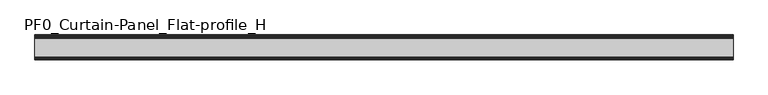
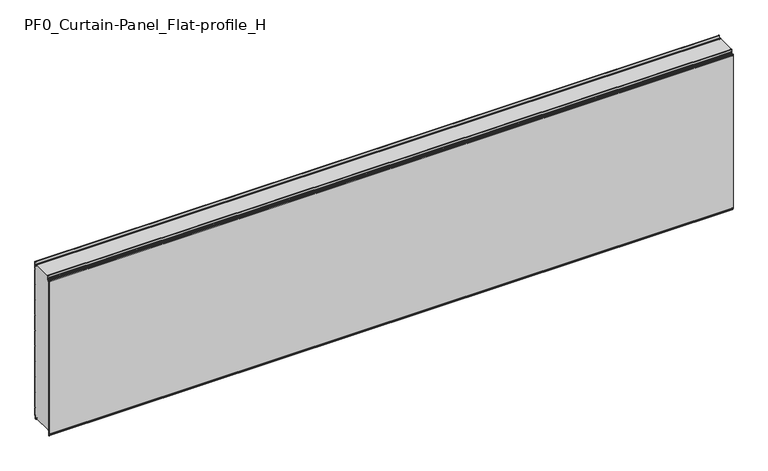
"""IFC4 building model written with IfcOpenShell, lengths in millimetres: plate geometry, PF0_Curtain-Panel_Flat-profile_H."""

import ifcopenshell
import ifcopenshell.guid

model = None  # the IFC model being written
_history = None  # IfcOwnerHistory: only IFC2X3 demands one
_inside = {}  # id of a spatial element -> (the spatial element, [elements in it])
_under = {}  # id of a project, library or spatial element -> (it, [spatial elements below it])
_declared = {}  # id of a project -> (the project, [libraries it declares])
_typed = {}  # id of a type object -> (the type object, [elements of that type])
_made_of = {}  # id of a material, layer set ... -> (it, [elements and type objects made of it])


def new_model(schema):
    """Start an empty IFC model of exactly this schema.

    Asked for "IFC4X3", IfcOpenShell would pick the latest addendum, in which some entities
    have other attributes; the version numbers below select the first issue.
    IFC2X3 requires an IfcOwnerHistory on every rooted entity: one is made here for all.
    """
    global model, _history
    if schema == "IFC4X3":
        model = ifcopenshell.file(schema_version=(4, 3, 0, 0))
    else:
        model = ifcopenshell.file(schema=schema)
    _inside.clear()
    _under.clear()
    _declared.clear()
    _typed.clear()
    _made_of.clear()
    _history = None
    if model.schema == "IFC2X3":
        org = make("IfcOrganization", Name="unknown")
        user = make(
            "IfcPersonAndOrganization",
            ThePerson=make("IfcPerson", FamilyName="unknown"),
            TheOrganization=org,
        )
        app = make(
            "IfcApplication",
            ApplicationDeveloper=org,
            Version="unknown",
            ApplicationFullName="unknown",
            ApplicationIdentifier="unknown",
        )
        _history = make(
            "IfcOwnerHistory",
            OwningUser=user,
            OwningApplication=app,
            ChangeAction="ADDED",
            CreationDate=0,
        )
    return model


def make(cls, **values):
    """One entity of the class cls with the attributes given. An attribute that is None is left unset."""
    return model.create_entity(
        cls, **{name: value for name, value in values.items() if value is not None}
    )


def rooted(cls, **values):
    """An entity with a GlobalId (a new one), such as an element, a storey or a relation."""
    return make(cls, GlobalId=ifcopenshell.guid.new(), OwnerHistory=_history, **values)


def si_unit(unit_type, name, prefix=None):
    """IfcSIUnit, for example si_unit("LENGTHUNIT", "METRE", prefix="MILLI")."""
    return make("IfcSIUnit", UnitType=unit_type, Prefix=prefix, Name=name)


def assignment(units):
    """IfcUnitAssignment: the units of a project."""
    return None if units is None else make("IfcUnitAssignment", Units=units)


def point(xyz):
    """IfcCartesianPoint."""
    return None if xyz is None else make("IfcCartesianPoint", Coordinates=xyz)


def direction(xyz):
    """IfcDirection."""
    return None if xyz is None else make("IfcDirection", DirectionRatios=xyz)


def frame(location, z_axis=None, x_axis=None):
    """IfcAxis2Placement3D, a coordinate frame: its origin and axes. An axis left out is left unset."""
    return make(
        "IfcAxis2Placement3D",
        Location=point(location),
        Axis=direction(z_axis),
        RefDirection=direction(x_axis),
    )


def frame_2d(location, x_axis=None):
    """IfcAxis2Placement2D, a coordinate frame in the plane: its origin and x axis."""
    return make(
        "IfcAxis2Placement2D", Location=point(location), RefDirection=direction(x_axis)
    )


def origin():
    """The frame at (0, 0, 0) with its axes left unset."""
    return frame((0.0, 0.0, 0.0))


def place(relative_to, where):
    """IfcLocalPlacement: puts the frame where relative to a parent placement (None: the world)."""
    return make(
        "IfcLocalPlacement", PlacementRelTo=relative_to, RelativePlacement=where
    )


def context(
    kind, dimensions, precision=None, world=None, true_north=None, identifier=None
):
    """IfcGeometricRepresentationContext, for example the 3D "Model" context."""
    return make(
        "IfcGeometricRepresentationContext",
        ContextIdentifier=identifier,
        ContextType=kind,
        CoordinateSpaceDimension=dimensions,
        Precision=precision,
        WorldCoordinateSystem=world,
        TrueNorth=true_north,
    )


def project(units=None, contexts=None):
    """IfcProject with its units and contexts."""
    return rooted(
        "IfcProject",
        Name="project",
        RepresentationContexts=contexts,
        UnitsInContext=assignment(units),
    )


def spatial(cls, under=None, at=None, **own):
    """A site, building, storey or space (cls), placed at a placement, below another one or the project."""
    s = rooted(cls, ObjectPlacement=at, **own)
    if under is not None:
        _under.setdefault(under.id(), (under, []))[1].append(s)
    return s


def polyline(points):
    """IfcPolyline through the points."""
    return make("IfcPolyline", Points=[point(p) for p in points])


def circle_curve(where, radius):
    """IfcCircle in the frame where."""
    return make("IfcCircle", Position=where, Radius=radius)


def trimmed(basis, trim1, trim2, sense, master):
    """IfcTrimmedCurve: the piece of a basis curve between two trims."""
    return make(
        "IfcTrimmedCurve",
        BasisCurve=basis,
        Trim1=trim1,
        Trim2=trim2,
        SenseAgreement=sense,
        MasterRepresentation=master,
    )


def segment(curve, same_sense, transition):
    """IfcCompositeCurveSegment."""
    return make(
        "IfcCompositeCurveSegment",
        Transition=transition,
        SameSense=same_sense,
        ParentCurve=curve,
    )


def composite_curve(segments, self_intersect=None):
    """IfcCompositeCurve: segments joined end to end."""
    return make("IfcCompositeCurve", Segments=segments, SelfIntersect=self_intersect)


def outline(outer, holes=None, kind="AREA"):
    """IfcArbitraryClosedProfileDef: a profile drawn as a closed curve; with holes, ...WithVoids."""
    if holes is None:
        return make("IfcArbitraryClosedProfileDef", ProfileType=kind, OuterCurve=outer)
    return make(
        "IfcArbitraryProfileDefWithVoids",
        ProfileType=kind,
        OuterCurve=outer,
        InnerCurves=holes,
    )


def extrude(swept, where, along, depth):
    """IfcExtrudedAreaSolid: the profile swept, set in the frame where, extruded along a direction by depth."""
    return make(
        "IfcExtrudedAreaSolid",
        SweptArea=swept,
        Position=where,
        ExtrudedDirection=direction(along),
        Depth=depth,
    )


def shape(context_of_items, identifier, shape_type, items):
    """IfcShapeRepresentation: the items that make up one representation, for example the "Body"."""
    return make(
        "IfcShapeRepresentation",
        ContextOfItems=context_of_items,
        RepresentationIdentifier=identifier,
        RepresentationType=shape_type,
        Items=items,
    )


def source(mapping_origin, context_of_items, identifier, shape_type, items):
    """IfcRepresentationMap: a shape defined once, which mapped items show again and again."""
    return make(
        "IfcRepresentationMap",
        MappingOrigin=mapping_origin,
        MappedRepresentation=shape(context_of_items, identifier, shape_type, items),
    )


def transform(
    local_origin,
    x_axis=None,
    y_axis=None,
    z_axis=None,
    scale=None,
    scale2=None,
    scale3=None,
    uniform=True,
):
    """IfcCartesianTransformationOperator3D, or its non-uniform kind. x_axis, y_axis, z_axis: its Axis1, 2, 3."""
    if uniform:
        return make(
            "IfcCartesianTransformationOperator3D",
            Axis1=direction(x_axis),
            Axis2=direction(y_axis),
            LocalOrigin=point(local_origin),
            Scale=scale,
            Axis3=direction(z_axis),
        )
    return make(
        "IfcCartesianTransformationOperator3DnonUniform",
        Axis1=direction(x_axis),
        Axis2=direction(y_axis),
        LocalOrigin=point(local_origin),
        Scale=scale,
        Axis3=direction(z_axis),
        Scale2=scale2,
        Scale3=scale3,
    )


def mapped(mapping_source, mapping_target):
    """IfcMappedItem: shows the shape of a source again, moved by a transform."""
    return make(
        "IfcMappedItem", MappingSource=mapping_source, MappingTarget=mapping_target
    )


def made_of(thing, what):
    """Note that an element or type object is made of a material, layer set ...; save() writes the relation."""
    if what is not None:
        _made_of.setdefault(what.id(), (what, []))[1].append(thing)
    return thing


def element(
    cls,
    number,
    at=None,
    inside=None,
    cuts=None,
    type_object=None,
    material=None,
    context=None,
    identifier="Body",
    shape_type=None,
    held_by="IfcProductDefinitionShape",
    body=None,
    shapes=None,
    **own,
):
    """One element of the class cls, such as IfcWall. Its Tag is "e" and its number.

    at: its placement. inside: the storey or other place that contains it. cuts: it is an
    opening in that element (IfcRelVoidsElement). A single representation is given by context,
    identifier, shape_type and body (its items); several are given by shapes. held_by: the class
    of the entity that holds the representations. save() writes the other relations.
    """
    e = rooted(cls, Tag="e%d" % number, ObjectPlacement=at, **own)
    if body is not None:
        shapes = [shape(context, identifier, shape_type, body)]
    if shapes is not None:
        e.Representation = make(held_by, Representations=shapes)
    if inside is not None:
        _inside.setdefault(inside.id(), (inside, []))[1].append(e)
    if cuts is not None:
        rooted(
            "IfcRelVoidsElement", RelatingBuildingElement=cuts, RelatedOpeningElement=e
        )
    if type_object is not None:
        _typed.setdefault(type_object.id(), (type_object, []))[1].append(e)
    return made_of(e, material)


def aggregate(whole, parts):
    """IfcRelAggregates: a whole, such as a stair, and the parts it consists of."""
    return rooted("IfcRelAggregates", RelatingObject=whole, RelatedObjects=parts)


def save(model, path):
    """Write the relations noted so far, then the file.

    IfcRelAggregates (storeys below a building ...), IfcRelContainedInSpatialStructure (elements
    in a storey), IfcRelDefinesByType, IfcRelAssociatesMaterial and IfcRelDeclares: one each for
    every whole, place, type object, material and project.
    """
    for whole, parts in _under.values():
        aggregate(whole, parts)
    for where, things in _inside.values():
        rooted(
            "IfcRelContainedInSpatialStructure",
            RelatedElements=things,
            RelatingStructure=where,
        )
    for kind, things in _typed.values():
        rooted("IfcRelDefinesByType", RelatedObjects=things, RelatingType=kind)
    for what, things in _made_of.values():
        rooted("IfcRelAssociatesMaterial", RelatedObjects=things, RelatingMaterial=what)
    for by, libraries in _declared.values():
        rooted("IfcRelDeclares", RelatingContext=by, RelatedDefinitions=libraries)
    model.write(path)


def plane_surface(at):
    """IfcPlane: the flat surface through the origin of the frame at, square to its z axis."""
    return make("IfcPlane", Position=at)


def cylinder_surface(at, radius):
    """IfcCylindricalSurface: all points at the distance radius from the z axis of the frame at."""
    return make("IfcCylindricalSurface", Position=at, Radius=radius)


def revolved_surface(curve, axis_point, axis_direction):
    """IfcSurfaceOfRevolution: the curve turned about the line through axis_point along axis_direction."""
    return make(
        "IfcSurfaceOfRevolution",
        SweptCurve=make("IfcArbitraryOpenProfileDef", ProfileType="CURVE", Curve=curve),
        AxisPosition=make("IfcAxis1Placement", Location=point(axis_point), Axis=direction(axis_direction)),
    )


def advanced_brep(points, edges, surfaces, faces):
    """IfcAdvancedBrep: a solid bounded by faces that lie on surfaces and meet in shared edges.

    An edge is (start, end): straight between two places in points (the first is 0);
    or (start, end, curve); or (start, end, curve, False) where it runs against its curve.
    A face is (place in surfaces, loops), or (place, loops, False) where it looks against
    its surface's normal. A loop lists edges by number (the first is 1), with a minus sign
    where the edge is run from its end to its start. The first loop is the outer one.
    """
    corners = [point(p) for p in points]
    vertices = [make("IfcVertexPoint", VertexGeometry=c) for c in corners]
    made = []
    for start, end, *more in edges:
        made.append(
            make(
                "IfcEdgeCurve",
                EdgeStart=vertices[start],
                EdgeEnd=vertices[end],
                EdgeGeometry=more[0] if more else make("IfcPolyline", Points=[corners[start], corners[end]]),
                SameSense=more[1] if len(more) > 1 else True,
            )
        )
    hull = []
    for where, loops, *sense in faces:
        bounds = []
        for j, loop in enumerate(loops):
            ring = [make("IfcOrientedEdge", EdgeElement=made[abs(k) - 1], Orientation=k > 0) for k in loop]
            bounds.append(
                make(
                    "IfcFaceOuterBound" if j == 0 else "IfcFaceBound",
                    Bound=make("IfcEdgeLoop", EdgeList=ring),
                    Orientation=True,
                )
            )
        hull.append(make("IfcAdvancedFace", Bounds=bounds, FaceSurface=surfaces[where], SameSense=sense[0] if sense else True))
    return make("IfcAdvancedBrep", Outer=make("IfcClosedShell", CfsFaces=hull))


def pf0_curtain_panel_flat_profile_h_96488240(model_context):
    return source(origin(), model_context, "Body", "SolidModel", [
        advanced_brep(
        [(-2100.0, -15.878557, 0.0), (-2100.0, -20.0, 0.0), (-2100.0, -20.0, 0.8), (-2100.0, -15.878557, 0.8), (-2100.0, -13.1503208, -1.370137), (-2100.0, -11.728236, -7.529863), (-2100.0, -6.2, -6.9), (-2100.0, -6.2, 8.6), (-2100.0, -3.4, 11.4), (-2100.0, -2.0, 11.4), (-2100.0, -0.8, 12.6), (-2100.0, -0.8, 57.6856412), (-2100.0, -2.482606, 60.6), (-2100.0, -0.8, 63.5143588), (-2100.0, -0.8, 157.6856412), (-2100.0, -2.482606, 160.6), (-2100.0, -0.8, 163.5143588), (-2100.0, -0.8, 257.6856412), (-2100.0, -2.482606, 260.6), (-2100.0, -0.8, 263.5143588), (-2100.0, -0.8, 357.6856412), (-2100.0, -2.482606, 360.6), (-2100.0, -0.8, 363.5143588), (-2100.0, -0.8, 457.6856412), (-2100.0, -2.482606, 460.6), (-2100.0, -0.8, 463.5143588), (-2100.0, -0.8, 557.6856412), (-2100.0, -2.482606, 560.6), (-2100.0, -0.8, 563.5143588), (-2100.0, -0.8, 657.6856412), (-2100.0, -2.482606, 660.6), (-2100.0, -0.8, 663.5143588), (-2100.0, -0.8, 757.6856412), (-2100.0, -2.482606, 760.6), (-2100.0, -0.8, 763.5143588), (-2100.0, -0.8, 857.6856412), (-2100.0, -2.482606, 860.6), (-2100.0, -0.8, 863.5143588), (-2100.0, -0.8, 957.6856412), (-2100.0, -2.482606, 960.6), (-2100.0, -0.8, 963.5143588), (-2100.0, -0.8, 1008.1), (-2100.0, -4.2, 1008.1), (-2100.0, -4.2, 991.1), (-2100.0, -13.7270771, 990.2664884), (-2100.0, -14.8636953, 996.7125669), (-2100.0, -16.6363492, 998.2), (-2100.0, -20.0, 998.2), (-2100.0, -20.0, 999.0), (-2100.0, -16.6363492, 999.0), (-2100.0, -14.0758491, 996.8514855), (-2100.0, -12.939231, 990.405407), (-2100.0, -5.0, 991.1), (-2100.0, -5.0, 1008.1), (-2100.0, -2.5, 1010.6), (-2100.0, 0.0, 1008.1), (-2100.0, 0.0, 963.2999995), (-2100.0, -1.5588455, 960.6), (-2100.0, 0.0, 957.9000005), (-2100.0, 0.0, 863.2999995), (-2100.0, -1.5588455, 860.6), (-2100.0, 0.0, 857.9000005), (-2100.0, 0.0, 763.2999995), (-2100.0, -1.5588455, 760.6), (-2100.0, 0.0, 757.9000005), (-2100.0, 0.0, 663.2999995), (-2100.0, -1.5588455, 660.6), (-2100.0, 0.0, 657.9000005), (-2100.0, 0.0, 563.2999995), (-2100.0, -1.5588455, 560.6), (-2100.0, 0.0, 557.9000005), (-2100.0, 0.0, 463.2999995), (-2100.0, -1.5588455, 460.6), (-2100.0, 0.0, 457.9000005), (-2100.0, 0.0, 363.2999995), (-2100.0, -1.5588455, 360.6), (-2100.0, 0.0, 357.9000005), (-2100.0, 0.0, 263.2999995), (-2100.0, -1.5588455, 260.6), (-2100.0, 0.0, 257.9000005), (-2100.0, 0.0, 163.2999995), (-2100.0, -1.5588455, 160.6), (-2100.0, 0.0, 157.9000005), (-2100.0, 0.0, 63.2999995), (-2100.0, -1.5588455, 60.6), (-2100.0, 0.0, 57.9000005), (-2100.0, 0.0, 12.6), (-2100.0, -2.0, 10.6), (-2100.0, -3.4, 10.6), (-2100.0, -5.4, 8.6), (-2100.0, -5.4, -6.9), (-2100.0, -12.5077322, -7.7098239), (-2100.0, -13.929817, -1.5500979), (2100.0, -15.878557, 0.0), (2100.0, -13.9298169, -1.5500978), (2100.0, -12.507732, -7.7098239), (2100.0, -5.4, -6.9), (2100.0, -5.4, 8.6), (2100.0, -3.4, 10.6), (2100.0, -2.0, 10.6), (2100.0, 0.0, 12.6), (2100.0, 0.0, 57.9000005), (2100.0, -1.5588455, 60.6), (2100.0, 0.0, 63.2999995), (2100.0, 0.0, 157.9000005), (2100.0, -1.5588455, 160.6), (2100.0, 0.0, 163.2999995), (2100.0, 0.0, 257.9000005), (2100.0, -1.5588455, 260.6), (2100.0, 0.0, 263.2999995), (2100.0, 0.0, 357.9000005), (2100.0, -1.5588455, 360.6), (2100.0, 0.0, 363.2999995), (2100.0, 0.0, 457.9000005), (2100.0, -1.5588455, 460.6), (2100.0, 0.0, 463.2999995), (2100.0, 0.0, 557.9000005), (2100.0, -1.5588455, 560.6), (2100.0, 0.0, 563.2999995), (2100.0, 0.0, 657.9000005), (2100.0, -1.5588455, 660.6), (2100.0, 0.0, 663.2999995), (2100.0, 0.0, 757.9000005), (2100.0, -1.5588455, 760.6), (2100.0, 0.0, 763.2999995), (2100.0, 0.0, 857.9000005), (2100.0, -1.5588455, 860.6), (2100.0, 0.0, 863.2999995), (2100.0, 0.0, 957.9000005), (2100.0, -1.5588455, 960.6), (2100.0, 0.0, 963.2999995), (2100.0, 0.0, 1008.1), (2100.0, -2.5, 1010.6), (2100.0, -5.0, 1008.1), (2100.0, -5.0, 991.1), (2100.0, -12.939231, 990.405407), (2100.0, -14.0758491, 996.8514855), (2100.0, -16.6363492, 999.0), (2100.0, -20.0, 999.0), (2100.0, -20.0, 998.2), (2100.0, -16.6363492, 998.2), (2100.0, -14.8636953, 996.7125669), (2100.0, -13.7270772, 990.2664884), (2100.0, -4.2, 991.1), (2100.0, -4.2, 1008.1), (2100.0, -0.8, 1008.1), (2100.0, -0.8, 963.5143588), (2100.0, -2.482606, 960.6), (2100.0, -0.8, 957.6856412), (2100.0, -0.8, 863.5143588), (2100.0, -2.482606, 860.6), (2100.0, -0.8, 857.6856412), (2100.0, -0.8, 763.5143588), (2100.0, -2.482606, 760.6), (2100.0, -0.8, 757.6856412), (2100.0, -0.8, 663.5143588), (2100.0, -2.482606, 660.6), (2100.0, -0.8, 657.6856412), (2100.0, -0.8, 563.5143588), (2100.0, -2.482606, 560.6), (2100.0, -0.8, 557.6856412), (2100.0, -0.8, 463.5143588), (2100.0, -2.482606, 460.6), (2100.0, -0.8, 457.6856412), (2100.0, -0.8, 363.5143588), (2100.0, -2.482606, 360.6), (2100.0, -0.8, 357.6856412), (2100.0, -0.8, 263.5143588), (2100.0, -2.482606, 260.6), (2100.0, -0.8, 257.6856412), (2100.0, -0.8, 163.5143588), (2100.0, -2.482606, 160.6), (2100.0, -0.8, 157.6856412), (2100.0, -0.8, 63.5143588), (2100.0, -2.482606, 60.6), (2100.0, -0.8, 57.6856412), (2100.0, -0.8, 12.6), (2100.0, -2.0, 11.4), (2100.0, -3.4, 11.4), (2100.0, -6.2, 8.6), (2100.0, -6.2, -6.9), (2100.0, -11.7282362, -7.529863), (2100.0, -13.150321, -1.370137), (2100.0, -15.878557, 0.8), (2100.0, -20.0, 0.8), (2100.0, -20.0, 0.0)],
        [
            (0, 1),
            (1, 2),
            (2, 3),
            (3, 4, circle_curve(frame((-2100.0, -15.878557, -2.0), z_axis=(-1.0, 0.0, 0.0), x_axis=(0.0, 0.0, 1.0)), 2.8)),
            (4, 5),
            (5, 6, circle_curve(frame((-2100.0, -9.0, -6.9), z_axis=(1.0, 0.0, 0.0), x_axis=(0.0, 0.0, 1.0)), 2.8)),
            (6, 7),
            (7, 8, circle_curve(frame((-2100.0, -3.4, 8.6), z_axis=(-1.0, 0.0, 0.0), x_axis=(0.0, 0.0, 1.0)), 2.8)),
            (8, 9),
            (9, 10, circle_curve(frame((-2100.0, -2.0, 12.6), z_axis=(1.0, 0.0, 0.0), x_axis=(0.0, 0.0, 1.0)), 1.2)),
            (10, 11),
            (11, 12),
            (12, 13),
            (13, 14),
            (14, 15),
            (15, 16),
            (16, 17),
            (17, 18),
            (18, 19),
            (19, 20),
            (20, 21),
            (21, 22),
            (22, 23),
            (23, 24),
            (24, 25),
            (25, 26),
            (26, 27),
            (27, 28),
            (28, 29),
            (29, 30),
            (30, 31),
            (31, 32),
            (32, 33),
            (33, 34),
            (34, 35),
            (35, 36),
            (36, 37),
            (37, 38),
            (38, 39),
            (39, 40),
            (40, 41),
            (41, 42, circle_curve(frame((-2100.0, -2.5, 1008.1), z_axis=(1.0, 0.0, 0.0), x_axis=(0.0, 0.0, 1.0)), 1.7)),
            (42, 43),
            (43, 44, circle_curve(frame((-2100.0, -9.0, 991.1), z_axis=(-1.0, 0.0, 0.0), x_axis=(0.0, 0.0, 1.0)), 4.8)),
            (44, 45),
            (45, 46, circle_curve(frame((-2100.0, -16.6363492, 996.4), z_axis=(1.0, 0.0, 0.0), x_axis=(0.0, 0.0, 1.0)), 1.8)),
            (46, 47),
            (47, 48),
            (48, 49),
            (49, 50, circle_curve(frame((-2100.0, -16.6363492, 996.4), z_axis=(-1.0, 0.0, 0.0), x_axis=(0.0, 0.0, 1.0)), 2.6)),
            (50, 51),
            (51, 52, circle_curve(frame((-2100.0, -9.0, 991.1), z_axis=(1.0, 0.0, 0.0), x_axis=(0.0, 0.0, 1.0)), 4.0)),
            (52, 53),
            (53, 54, circle_curve(frame((-2100.0, -2.5, 1008.1), z_axis=(-1.0, 0.0, 0.0), x_axis=(0.0, 0.0, 1.0)), 2.5)),
            (54, 55, circle_curve(frame((-2100.0, -2.5, 1008.1), z_axis=(-1.0, 0.0, 0.0), x_axis=(0.0, 0.0, 1.0)), 2.5)),
            (55, 56),
            (56, 57),
            (57, 58),
            (58, 59),
            (59, 60),
            (60, 61),
            (61, 62),
            (62, 63),
            (63, 64),
            (64, 65),
            (65, 66),
            (66, 67),
            (67, 68),
            (68, 69),
            (69, 70),
            (70, 71),
            (71, 72),
            (72, 73),
            (73, 74),
            (74, 75),
            (75, 76),
            (76, 77),
            (77, 78),
            (78, 79),
            (79, 80),
            (80, 81),
            (81, 82),
            (82, 83),
            (83, 84),
            (84, 85),
            (85, 86),
            (86, 87, circle_curve(frame((-2100.0, -2.0, 12.6), z_axis=(-1.0, 0.0, 0.0), x_axis=(0.0, 0.0, 1.0)), 2.0)),
            (87, 88),
            (88, 89, circle_curve(frame((-2100.0, -3.4, 8.6), z_axis=(1.0, 0.0, 0.0), x_axis=(0.0, 0.0, 1.0)), 2.0)),
            (89, 90),
            (90, 91, circle_curve(frame((-2100.0, -9.0, -6.9), z_axis=(-1.0, 0.0, 0.0), x_axis=(0.0, 0.0, 1.0)), 3.6)),
            (91, 92),
            (92, 0, circle_curve(frame((-2100.0, -15.878557, -2.0), z_axis=(1.0, 0.0, 0.0), x_axis=(0.0, 0.0, 1.0)), 2.0)),
            (93, 94, circle_curve(frame((2100.0, -15.878557, -2.0), z_axis=(-1.0, 0.0, 0.0), x_axis=(0.0, 0.0, 1.0)), 2.0)),
            (94, 95),
            (95, 96, circle_curve(frame((2100.0, -9.0, -6.9), z_axis=(1.0, 0.0, 0.0), x_axis=(0.0, 0.0, 1.0)), 3.6)),
            (96, 97),
            (97, 98, circle_curve(frame((2100.0, -3.4, 8.6), z_axis=(-1.0, 0.0, 0.0), x_axis=(0.0, 0.0, 1.0)), 2.0)),
            (98, 99),
            (99, 100, circle_curve(frame((2100.0, -2.0, 12.6), z_axis=(1.0, 0.0, 0.0), x_axis=(0.0, 0.0, 1.0)), 2.0)),
            (100, 101),
            (101, 102),
            (102, 103),
            (103, 104),
            (104, 105),
            (105, 106),
            (106, 107),
            (107, 108),
            (108, 109),
            (109, 110),
            (110, 111),
            (111, 112),
            (112, 113),
            (113, 114),
            (114, 115),
            (115, 116),
            (116, 117),
            (117, 118),
            (118, 119),
            (119, 120),
            (120, 121),
            (121, 122),
            (122, 123),
            (123, 124),
            (124, 125),
            (125, 126),
            (126, 127),
            (127, 128),
            (128, 129),
            (129, 130),
            (130, 131),
            (131, 132, circle_curve(frame((2100.0, -2.5, 1008.1), z_axis=(1.0, 0.0, 0.0), x_axis=(0.0, 0.0, 1.0)), 2.5)),
            (132, 133, circle_curve(frame((2100.0, -2.5, 1008.1), z_axis=(1.0, 0.0, 0.0), x_axis=(0.0, 0.0, 1.0)), 2.5)),
            (133, 134),
            (134, 135, circle_curve(frame((2100.0, -9.0, 991.1), z_axis=(-1.0, 0.0, 0.0), x_axis=(0.0, 0.0, 1.0)), 4.0)),
            (135, 136),
            (136, 137, circle_curve(frame((2100.0, -16.6363492, 996.4), z_axis=(1.0, 0.0, 0.0), x_axis=(0.0, 0.0, 1.0)), 2.6)),
            (137, 138),
            (138, 139),
            (139, 140),
            (140, 141, circle_curve(frame((2100.0, -16.6363492, 996.4), z_axis=(-1.0, 0.0, 0.0), x_axis=(0.0, 0.0, 1.0)), 1.8)),
            (141, 142),
            (142, 143, circle_curve(frame((2100.0, -9.0, 991.1), z_axis=(1.0, 0.0, 0.0), x_axis=(0.0, 0.0, 1.0)), 4.8)),
            (143, 144),
            (144, 145, circle_curve(frame((2100.0, -2.5, 1008.1), z_axis=(-1.0, 0.0, 0.0), x_axis=(0.0, 0.0, 1.0)), 1.7)),
            (145, 146),
            (146, 147),
            (147, 148),
            (148, 149),
            (149, 150),
            (150, 151),
            (151, 152),
            (152, 153),
            (153, 154),
            (154, 155),
            (155, 156),
            (156, 157),
            (157, 158),
            (158, 159),
            (159, 160),
            (160, 161),
            (161, 162),
            (162, 163),
            (163, 164),
            (164, 165),
            (165, 166),
            (166, 167),
            (167, 168),
            (168, 169),
            (169, 170),
            (170, 171),
            (171, 172),
            (172, 173),
            (173, 174),
            (174, 175),
            (175, 176),
            (176, 177, circle_curve(frame((2100.0, -2.0, 12.6), z_axis=(-1.0, 0.0, 0.0), x_axis=(0.0, 0.0, 1.0)), 1.2)),
            (177, 178),
            (178, 179, circle_curve(frame((2100.0, -3.4, 8.6), z_axis=(1.0, 0.0, 0.0), x_axis=(0.0, 0.0, 1.0)), 2.8)),
            (179, 180),
            (180, 181, circle_curve(frame((2100.0, -9.0, -6.9), z_axis=(-1.0, 0.0, 0.0), x_axis=(0.0, 0.0, 1.0)), 2.8)),
            (181, 182),
            (182, 183, circle_curve(frame((2100.0, -15.878557, -2.0), z_axis=(1.0, 0.0, 0.0), x_axis=(0.0, 0.0, 1.0)), 2.8)),
            (183, 184),
            (184, 185),
            (185, 93),
            (0, 93),
            (185, 1),
            (184, 2),
            (183, 3),
            (182, 4),
            (181, 5),
            (180, 6),
            (179, 7),
            (178, 8),
            (177, 9),
            (176, 10),
            (175, 11),
            (174, 12),
            (173, 13),
            (172, 14),
            (171, 15),
            (170, 16),
            (169, 17),
            (168, 18),
            (167, 19),
            (166, 20),
            (165, 21),
            (164, 22),
            (163, 23),
            (162, 24),
            (161, 25),
            (160, 26),
            (159, 27),
            (158, 28),
            (157, 29),
            (156, 30),
            (155, 31),
            (154, 32),
            (153, 33),
            (152, 34),
            (151, 35),
            (150, 36),
            (149, 37),
            (148, 38),
            (147, 39),
            (146, 40),
            (145, 41),
            (144, 42),
            (143, 43),
            (142, 44),
            (141, 45),
            (140, 46),
            (139, 47),
            (138, 48),
            (137, 49),
            (136, 50),
            (135, 51),
            (134, 52),
            (133, 53),
            (131, 55),
            (130, 56),
            (129, 57),
            (128, 58),
            (127, 59),
            (126, 60),
            (125, 61),
            (124, 62),
            (123, 63),
            (122, 64),
            (121, 65),
            (120, 66),
            (119, 67),
            (118, 68),
            (117, 69),
            (116, 70),
            (115, 71),
            (114, 72),
            (113, 73),
            (112, 74),
            (111, 75),
            (110, 76),
            (109, 77),
            (108, 78),
            (107, 79),
            (106, 80),
            (105, 81),
            (104, 82),
            (103, 83),
            (102, 84),
            (101, 85),
            (100, 86),
            (99, 87),
            (98, 88),
            (97, 89),
            (96, 90),
            (95, 91),
            (94, 92),
        ],
        [
            plane_surface(frame((-2100.0, 0.0, 0.0), z_axis=(-1.0, 0.0, 0.0), x_axis=(0.0, 1.0, 0.0))),
            plane_surface(frame((2100.0, 0.0, 0.0), z_axis=(1.0, 0.0, 0.0), x_axis=(0.0, 1.0, 0.0))),
            plane_surface(frame((-2100.0, -15.878557, 0.0), z_axis=(0.0, 0.0, -1.0), x_axis=(1.0, 0.0, 0.0))),
            plane_surface(frame((-2100.0, -20.0, 0.0), z_axis=(0.0, -1.0, 0.0), x_axis=(1.0, 0.0, 0.0))),
            plane_surface(frame((-2100.0, -20.0, 0.8), z_axis=(0.0, 0.0, 1.0), x_axis=(1.0, 0.0, 0.0))),
            cylinder_surface(frame((-2100.0, -15.878557, -2.0), z_axis=(-1.0, 0.0, 0.0), x_axis=(0.0, 0.0, 1.0)), 2.8),
            plane_surface(frame((-2100.0, -13.150321, -1.370137), z_axis=(0.0, 0.9743700578318181, 0.22495108446242168), x_axis=(1.0, 0.0, 0.0))),
            revolved_surface(polyline([(2100.0, -9.0, -4.1000000000000005), (-2100.0, -9.0, -4.1000000000000005)]), (-2100.0, -9.0, -6.9), (1.0, 0.0, 0.0)),
            plane_surface(frame((-2100.0, -6.2, -6.9), z_axis=(0.0, -1.0, 0.0), x_axis=(1.0, 0.0, 0.0))),
            cylinder_surface(frame((-2100.0, -3.4, 8.6), z_axis=(-1.0, 0.0, 0.0), x_axis=(0.0, 0.0, 1.0)), 2.8),
            plane_surface(frame((-2100.0, -3.4, 11.4), z_axis=(0.0, 0.0, 1.0), x_axis=(1.0, 0.0, 0.0))),
            revolved_surface(polyline([(2100.0, -2.0, 13.799999999999999), (-2100.0, -2.0, 13.799999999999999)]), (-2100.0, -2.0, 12.6), (1.0, 0.0, 0.0)),
            plane_surface(frame((-2100.0, -0.8, 12.6), z_axis=(0.0, -1.0, 0.0), x_axis=(1.0, 0.0, 0.0))),
            plane_surface(frame((-2100.0, -0.8, 57.6856412), z_axis=(0.0, -0.8660253865035757, -0.5000000299313314), x_axis=(1.0, 0.0, 0.0))),
            plane_surface(frame((-2100.0, -2.482606, 60.6), z_axis=(0.0, -0.8660253865035789, 0.5000000299313261), x_axis=(1.0, 0.0, 0.0))),
            plane_surface(frame((-2100.0, -0.8, 63.5143588), z_axis=(0.0, -1.0, 0.0), x_axis=(1.0, 0.0, 0.0))),
            plane_surface(frame((-2100.0, -0.8, 157.6856412), z_axis=(0.0, -0.8660253865035755, -0.5000000299313319), x_axis=(1.0, 0.0, 0.0))),
            plane_surface(frame((-2100.0, -2.482606, 160.6), z_axis=(0.0, -0.8660253865035777, 0.5000000299313279), x_axis=(1.0, 0.0, 0.0))),
            plane_surface(frame((-2100.0, -0.8, 163.5143588), z_axis=(0.0, -1.0, 0.0), x_axis=(1.0, 0.0, 0.0))),
            plane_surface(frame((-2100.0, -0.8, 257.6856412), z_axis=(0.0, -0.8660253865035755, -0.5000000299313319), x_axis=(1.0, 0.0, 0.0))),
            plane_surface(frame((-2100.0, -2.482606, 260.6), z_axis=(0.0, -0.8660253865035777, 0.5000000299313279), x_axis=(1.0, 0.0, 0.0))),
            plane_surface(frame((-2100.0, -0.8, 263.5143588), z_axis=(0.0, -1.0, 0.0), x_axis=(1.0, 0.0, 0.0))),
            plane_surface(frame((-2100.0, -0.8, 357.6856412), z_axis=(0.0, -0.8660253865035754, -0.500000029931332), x_axis=(1.0, 0.0, 0.0))),
            plane_surface(frame((-2100.0, -2.482606, 360.6), z_axis=(0.0, -0.8660253865035789, 0.5000000299313261), x_axis=(1.0, 0.0, 0.0))),
            plane_surface(frame((-2100.0, -0.8, 363.5143588), z_axis=(0.0, -1.0, 0.0), x_axis=(1.0, 0.0, 0.0))),
            plane_surface(frame((-2100.0, -0.8, 457.6856412), z_axis=(0.0, -0.8660253865035755, -0.5000000299313319), x_axis=(1.0, 0.0, 0.0))),
            plane_surface(frame((-2100.0, -2.482606, 460.6), z_axis=(0.0, -0.8660253865035785, 0.5000000299313266), x_axis=(1.0, 0.0, 0.0))),
            plane_surface(frame((-2100.0, -0.8, 463.5143588), z_axis=(0.0, -1.0, 0.0), x_axis=(1.0, 0.0, 0.0))),
            plane_surface(frame((-2100.0, -0.8, 557.6856412), z_axis=(0.0, -0.8660253865035755, -0.500000029931332), x_axis=(1.0, 0.0, 0.0))),
            plane_surface(frame((-2100.0, -2.482606, 560.6), z_axis=(0.0, -0.8660253865035789, 0.500000029931326), x_axis=(1.0, 0.0, 0.0))),
            plane_surface(frame((-2100.0, -0.8, 563.5143588), z_axis=(0.0, -1.0, 0.0), x_axis=(1.0, 0.0, 0.0))),
            plane_surface(frame((-2100.0, -0.8, 657.6856412), z_axis=(0.0, -0.8660253865035755, -0.5000000299313317), x_axis=(1.0, 0.0, 0.0))),
            plane_surface(frame((-2100.0, -2.482606, 660.6), z_axis=(0.0, -0.8660253865035772, 0.5000000299313291), x_axis=(1.0, 0.0, 0.0))),
            plane_surface(frame((-2100.0, -0.8, 663.5143588), z_axis=(0.0, -1.0, 0.0), x_axis=(1.0, 0.0, 0.0))),
            plane_surface(frame((-2100.0, -0.8, 757.6856412), z_axis=(0.0, -0.8660253865035755, -0.5000000299313319), x_axis=(1.0, 0.0, 0.0))),
            plane_surface(frame((-2100.0, -2.482606, 760.6), z_axis=(0.0, -0.8660253865035771, 0.5000000299313291), x_axis=(1.0, 0.0, 0.0))),
            plane_surface(frame((-2100.0, -0.8, 763.5143588), z_axis=(0.0, -1.0, 0.0), x_axis=(1.0, 0.0, 0.0))),
            plane_surface(frame((-2100.0, -0.8, 857.6856412), z_axis=(0.0, -0.8660253865035755, -0.5000000299313319), x_axis=(1.0, 0.0, 0.0))),
            plane_surface(frame((-2100.0, -2.482606, 860.6), z_axis=(0.0, -0.8660253865035775, 0.5000000299313283), x_axis=(1.0, 0.0, 0.0))),
            plane_surface(frame((-2100.0, -0.8, 863.5143588), z_axis=(0.0, -1.0, 0.0), x_axis=(1.0, 0.0, 0.0))),
            plane_surface(frame((-2100.0, -0.8, 957.6856412), z_axis=(0.0, -0.8660253865035755, -0.500000029931332), x_axis=(1.0, 0.0, 0.0))),
            plane_surface(frame((-2100.0, -2.482606, 960.6), z_axis=(0.0, -0.8660253865035771, 0.5000000299313291), x_axis=(1.0, 0.0, 0.0))),
            plane_surface(frame((-2100.0, -0.8, 963.5143588), z_axis=(0.0, -1.0, 0.0), x_axis=(1.0, 0.0, 0.0))),
            revolved_surface(polyline([(2100.0, -2.5, 1009.8000000000001), (-2100.0, -2.5, 1009.8000000000001)]), (-2100.0, -2.5, 1008.1), (1.0, 0.0, 0.0)),
            plane_surface(frame((-2100.0, -4.2, 1008.1), z_axis=(0.0, 1.0, 0.0), x_axis=(1.0, 0.0, 0.0))),
            cylinder_surface(frame((-2100.0, -9.0, 991.1), z_axis=(-1.0, 0.0, 0.0), x_axis=(0.0, 0.0, 1.0)), 4.8),
            plane_surface(frame((-2100.0, -13.7270772, 990.2664884), z_axis=(0.0, -0.9848077391954005, -0.17364825602592165), x_axis=(1.0, 0.0, 0.0))),
            revolved_surface(polyline([(2100.0, -16.6363492, 998.1999999999999), (-2100.0, -16.6363492, 998.1999999999999)]), (-2100.0, -16.6363492, 996.4), (1.0, 0.0, 0.0)),
            plane_surface(frame((-2100.0, -16.6363492, 998.2), z_axis=(0.0, 0.0, -1.0), x_axis=(1.0, 0.0, 0.0))),
            plane_surface(frame((-2100.0, -20.0, 998.2), z_axis=(0.0, -1.0, 0.0), x_axis=(1.0, 0.0, 0.0))),
            plane_surface(frame((-2100.0, -20.0, 999.0), z_axis=(0.0, 0.0, 1.0), x_axis=(1.0, 0.0, 0.0))),
            cylinder_surface(frame((-2100.0, -16.6363492, 996.4), z_axis=(-1.0, 0.0, 0.0), x_axis=(0.0, 0.0, 1.0)), 2.6),
            plane_surface(frame((-2100.0, -14.0758491, 996.8514855), z_axis=(0.0, 0.9848077391954003, 0.1736482560259224), x_axis=(1.0, 0.0, 0.0))),
            revolved_surface(polyline([(2100.0, -9.0, 995.1), (-2100.0, -9.0, 995.1)]), (-2100.0, -9.0, 991.1), (1.0, 0.0, 0.0)),
            plane_surface(frame((-2100.0, -5.0, 991.1), z_axis=(0.0, -1.0, 0.0), x_axis=(1.0, 0.0, 0.0))),
            cylinder_surface(frame((-2100.0, -2.5, 1008.1), z_axis=(-1.0, 0.0, 0.0), x_axis=(0.0, 0.0, 1.0)), 2.5),
            plane_surface(frame((-2100.0, 0.0, 1008.1), z_axis=(0.0, 1.0, 0.0), x_axis=(1.0, 0.0, 0.0))),
            plane_surface(frame((-2100.0, 0.0, 963.2999995), z_axis=(0.0, 0.8660253865035786, -0.5000000299313263), x_axis=(1.0, 0.0, 0.0))),
            plane_surface(frame((-2100.0, -1.5588455, 960.6), z_axis=(0.0, 0.8660253865035755, 0.5000000299313319), x_axis=(1.0, 0.0, 0.0))),
            plane_surface(frame((-2100.0, 0.0, 957.9000005), z_axis=(0.0, 1.0, 0.0), x_axis=(1.0, 0.0, 0.0))),
            plane_surface(frame((-2100.0, 0.0, 863.2999995), z_axis=(0.0, 0.8660253865035786, -0.5000000299313263), x_axis=(1.0, 0.0, 0.0))),
            plane_surface(frame((-2100.0, -1.5588455, 860.6), z_axis=(0.0, 0.8660253865035755, 0.5000000299313319), x_axis=(1.0, 0.0, 0.0))),
            plane_surface(frame((-2100.0, 0.0, 857.9000005), z_axis=(0.0, 1.0, 0.0), x_axis=(1.0, 0.0, 0.0))),
            plane_surface(frame((-2100.0, 0.0, 763.2999995), z_axis=(0.0, 0.8660253865035786, -0.5000000299313263), x_axis=(1.0, 0.0, 0.0))),
            plane_surface(frame((-2100.0, -1.5588455, 760.6), z_axis=(0.0, 0.8660253865035755, 0.5000000299313319), x_axis=(1.0, 0.0, 0.0))),
            plane_surface(frame((-2100.0, 0.0, 757.9000005), z_axis=(0.0, 1.0, 0.0), x_axis=(1.0, 0.0, 0.0))),
            plane_surface(frame((-2100.0, 0.0, 663.2999995), z_axis=(0.0, 0.8660253865035786, -0.5000000299313263), x_axis=(1.0, 0.0, 0.0))),
            plane_surface(frame((-2100.0, -1.5588455, 660.6), z_axis=(0.0, 0.8660253865035755, 0.5000000299313319), x_axis=(1.0, 0.0, 0.0))),
            plane_surface(frame((-2100.0, 0.0, 657.9000005), z_axis=(0.0, 1.0, 0.0), x_axis=(1.0, 0.0, 0.0))),
            plane_surface(frame((-2100.0, 0.0, 563.2999995), z_axis=(0.0, 0.8660253865035786, -0.5000000299313263), x_axis=(1.0, 0.0, 0.0))),
            plane_surface(frame((-2100.0, -1.5588455, 560.6), z_axis=(0.0, 0.8660253865035755, 0.5000000299313319), x_axis=(1.0, 0.0, 0.0))),
            plane_surface(frame((-2100.0, 0.0, 557.9000005), z_axis=(0.0, 1.0, 0.0), x_axis=(1.0, 0.0, 0.0))),
            plane_surface(frame((-2100.0, 0.0, 463.2999995), z_axis=(0.0, 0.8660253865035786, -0.5000000299313263), x_axis=(1.0, 0.0, 0.0))),
            plane_surface(frame((-2100.0, -1.5588455, 460.6), z_axis=(0.0, 0.8660253865035755, 0.5000000299313319), x_axis=(1.0, 0.0, 0.0))),
            plane_surface(frame((-2100.0, 0.0, 457.9000005), z_axis=(0.0, 1.0, 0.0), x_axis=(1.0, 0.0, 0.0))),
            plane_surface(frame((-2100.0, 0.0, 363.2999995), z_axis=(0.0, 0.8660253865035786, -0.5000000299313263), x_axis=(1.0, 0.0, 0.0))),
            plane_surface(frame((-2100.0, -1.5588455, 360.6), z_axis=(0.0, 0.8660253865035755, 0.5000000299313319), x_axis=(1.0, 0.0, 0.0))),
            plane_surface(frame((-2100.0, 0.0, 357.9000005), z_axis=(0.0, 1.0, 0.0), x_axis=(1.0, 0.0, 0.0))),
            plane_surface(frame((-2100.0, 0.0, 263.2999995), z_axis=(0.0, 0.8660253865035786, -0.5000000299313263), x_axis=(1.0, 0.0, 0.0))),
            plane_surface(frame((-2100.0, -1.5588455, 260.6), z_axis=(0.0, 0.8660253865035755, 0.5000000299313319), x_axis=(1.0, 0.0, 0.0))),
            plane_surface(frame((-2100.0, 0.0, 257.9000005), z_axis=(0.0, 1.0, 0.0), x_axis=(1.0, 0.0, 0.0))),
            plane_surface(frame((-2100.0, 0.0, 163.2999995), z_axis=(0.0, 0.8660253865035786, -0.5000000299313263), x_axis=(1.0, 0.0, 0.0))),
            plane_surface(frame((-2100.0, -1.5588455, 160.6), z_axis=(0.0, 0.8660253865035755, 0.5000000299313319), x_axis=(1.0, 0.0, 0.0))),
            plane_surface(frame((-2100.0, 0.0, 157.9000005), z_axis=(0.0, 1.0, 0.0), x_axis=(1.0, 0.0, 0.0))),
            plane_surface(frame((-2100.0, 0.0, 63.2999995), z_axis=(0.0, 0.8660253865035786, -0.5000000299313263), x_axis=(1.0, 0.0, 0.0))),
            plane_surface(frame((-2100.0, -1.5588455, 60.6), z_axis=(0.0, 0.8660253865035755, 0.5000000299313319), x_axis=(1.0, 0.0, 0.0))),
            plane_surface(frame((-2100.0, 0.0, 57.9000005), z_axis=(0.0, 1.0, 0.0), x_axis=(1.0, 0.0, 0.0))),
            cylinder_surface(frame((-2100.0, -2.0, 12.6), z_axis=(-1.0, 0.0, 0.0), x_axis=(0.0, 0.0, 1.0)), 2.0),
            plane_surface(frame((-2100.0, -2.0, 10.6), z_axis=(0.0, 0.0, -1.0), x_axis=(1.0, 0.0, 0.0))),
            revolved_surface(polyline([(2100.0, -3.4, 10.6), (-2100.0, -3.4, 10.6)]), (-2100.0, -3.4, 8.6), (1.0, 0.0, 0.0)),
            plane_surface(frame((-2100.0, -5.4, 8.6), z_axis=(0.0, 1.0, 0.0), x_axis=(1.0, 0.0, 0.0))),
            cylinder_surface(frame((-2100.0, -9.0, -6.9), z_axis=(-1.0, 0.0, 0.0), x_axis=(0.0, 0.0, 1.0)), 3.6),
            plane_surface(frame((-2100.0, -12.507732, -7.7098239), z_axis=(0.0, -0.9743700578318182, -0.22495108446242174), x_axis=(1.0, 0.0, 0.0))),
            revolved_surface(polyline([(2100.0, -15.878557, 0.0), (-2100.0, -15.878557, 0.0)]), (-2100.0, -15.878557, -2.0), (1.0, 0.0, 0.0)),
        ],
        [
            (0, [[1, 2, 3, 4, 5, 6, 7, 8, 9, 10, 11, 12, 13, 14, 15, 16, 17, 18, 19, 20, 21, 22, 23, 24, 25, 26, 27, 28, 29, 30, 31, 32, 33, 34, 35, 36, 37, 38, 39, 40, 41, 42, 43, 44, 45, 46, 47, 48, 49, 50, 51, 52, 53, 54, 55, 56, 57, 58, 59, 60, 61, 62, 63, 64, 65, 66, 67, 68, 69, 70, 71, 72, 73, 74, 75, 76, 77, 78, 79, 80, 81, 82, 83, 84, 85, 86, 87, 88, 89, 90, 91, 92, 93]]),
            (1, [[94, 95, 96, 97, 98, 99, 100, 101, 102, 103, 104, 105, 106, 107, 108, 109, 110, 111, 112, 113, 114, 115, 116, 117, 118, 119, 120, 121, 122, 123, 124, 125, 126, 127, 128, 129, 130, 131, 132, 133, 134, 135, 136, 137, 138, 139, 140, 141, 142, 143, 144, 145, 146, 147, 148, 149, 150, 151, 152, 153, 154, 155, 156, 157, 158, 159, 160, 161, 162, 163, 164, 165, 166, 167, 168, 169, 170, 171, 172, 173, 174, 175, 176, 177, 178, 179, 180, 181, 182, 183, 184, 185, 186]]),
            (2, [[-1, 187, -186, 188]]),
            (3, [[-2, -188, -185, 189]]),
            (4, [[-3, -189, -184, 190]]),
            (5, [[-4, -190, -183, 191]]),
            (6, [[-5, -191, -182, 192]]),
            (7, [[-6, -192, -181, 193]]),
            (8, [[-7, -193, -180, 194]]),
            (9, [[-8, -194, -179, 195]]),
            (10, [[-9, -195, -178, 196]]),
            (11, [[-10, -196, -177, 197]]),
            (12, [[-11, -197, -176, 198]]),
            (13, [[-12, -198, -175, 199]]),
            (14, [[-13, -199, -174, 200]]),
            (15, [[-14, -200, -173, 201]]),
            (16, [[-15, -201, -172, 202]]),
            (17, [[-16, -202, -171, 203]]),
            (18, [[-17, -203, -170, 204]]),
            (19, [[-18, -204, -169, 205]]),
            (20, [[-19, -205, -168, 206]]),
            (21, [[-20, -206, -167, 207]]),
            (22, [[-21, -207, -166, 208]]),
            (23, [[-22, -208, -165, 209]]),
            (24, [[-23, -209, -164, 210]]),
            (25, [[-24, -210, -163, 211]]),
            (26, [[-25, -211, -162, 212]]),
            (27, [[-26, -212, -161, 213]]),
            (28, [[-27, -213, -160, 214]]),
            (29, [[-28, -214, -159, 215]]),
            (30, [[-29, -215, -158, 216]]),
            (31, [[-30, -216, -157, 217]]),
            (32, [[-31, -217, -156, 218]]),
            (33, [[-32, -218, -155, 219]]),
            (34, [[-33, -219, -154, 220]]),
            (35, [[-34, -220, -153, 221]]),
            (36, [[-35, -221, -152, 222]]),
            (37, [[-36, -222, -151, 223]]),
            (38, [[-37, -223, -150, 224]]),
            (39, [[-38, -224, -149, 225]]),
            (40, [[-39, -225, -148, 226]]),
            (41, [[-40, -226, -147, 227]]),
            (42, [[-41, -227, -146, 228]]),
            (43, [[-42, -228, -145, 229]]),
            (44, [[-43, -229, -144, 230]]),
            (45, [[-44, -230, -143, 231]]),
            (46, [[-45, -231, -142, 232]]),
            (47, [[-46, -232, -141, 233]]),
            (48, [[-47, -233, -140, 234]]),
            (49, [[-48, -234, -139, 235]]),
            (50, [[-49, -235, -138, 236]]),
            (51, [[-50, -236, -137, 237]]),
            (52, [[-51, -237, -136, 238]]),
            (53, [[-52, -238, -135, 239]]),
            (54, [[-53, -239, -134, 240]]),
            (55, [[-240, -133, -132, 241, -55, -54]]),
            (56, [[-56, -241, -131, 242]]),
            (57, [[-57, -242, -130, 243]]),
            (58, [[-58, -243, -129, 244]]),
            (59, [[-59, -244, -128, 245]]),
            (60, [[-60, -245, -127, 246]]),
            (61, [[-61, -246, -126, 247]]),
            (62, [[-62, -247, -125, 248]]),
            (63, [[-63, -248, -124, 249]]),
            (64, [[-64, -249, -123, 250]]),
            (65, [[-65, -250, -122, 251]]),
            (66, [[-66, -251, -121, 252]]),
            (67, [[-67, -252, -120, 253]]),
            (68, [[-68, -253, -119, 254]]),
            (69, [[-69, -254, -118, 255]]),
            (70, [[-70, -255, -117, 256]]),
            (71, [[-71, -256, -116, 257]]),
            (72, [[-72, -257, -115, 258]]),
            (73, [[-73, -258, -114, 259]]),
            (74, [[-74, -259, -113, 260]]),
            (75, [[-75, -260, -112, 261]]),
            (76, [[-76, -261, -111, 262]]),
            (77, [[-77, -262, -110, 263]]),
            (78, [[-78, -263, -109, 264]]),
            (79, [[-79, -264, -108, 265]]),
            (80, [[-80, -265, -107, 266]]),
            (81, [[-81, -266, -106, 267]]),
            (82, [[-82, -267, -105, 268]]),
            (83, [[-83, -268, -104, 269]]),
            (84, [[-84, -269, -103, 270]]),
            (85, [[-85, -270, -102, 271]]),
            (86, [[-86, -271, -101, 272]]),
            (87, [[-87, -272, -100, 273]]),
            (88, [[-88, -273, -99, 274]]),
            (89, [[-89, -274, -98, 275]]),
            (90, [[-90, -275, -97, 276]]),
            (91, [[-91, -276, -96, 277]]),
            (92, [[-92, -277, -95, 278]]),
            (93, [[-93, -278, -94, -187]]),
        ],
    ),
        extrude(outline(composite_curve([segment(polyline([(-140.0, 0.8), (-143.5, 0.8)]), True, "CONTINUOUS"), segment(trimmed(circle_curve(frame_2d((-143.5, -2.0)), 2.8), [point((-143.5, 0.8))], [point((-146.3, -2.0))], True, "CARTESIAN"), True, "CONTINUOUS"), segment(polyline([(-146.3, -2.0), (-146.3, -32.8700312)]), True, "CONTINUOUS"), segment(trimmed(circle_curve(frame_2d((-146.6, -32.8700312)), 0.3), [point((-146.3, -32.8700312))], [point((-146.9, -32.8700312))], False, "CARTESIAN"), True, "CONTINUOUS"), segment(polyline([(-146.9, -32.8700312), (-146.9, -26.9)]), True, "CONTINUOUS"), segment(trimmed(circle_curve(frame_2d((-148.6133333, -26.9)), 1.7133333), [point((-146.9, -26.9))], [point((-148.4, -25.2))], True, "CARTESIAN"), True, "CONTINUOUS"), segment(trimmed(circle_curve(frame_2d((-148.4, -24.4)), 0.8), [point((-148.4, -25.2))], [point((-149.2, -24.4))], False, "CARTESIAN"), True, "CONTINUOUS"), segment(polyline([(-149.2, -24.4), (-149.2, 972.8891513)]), True, "CONTINUOUS"), segment(trimmed(circle_curve(frame_2d((-148.9, 972.8891513)), 0.3), [point((-149.2, 972.8891513))], [point((-148.6, 972.8891513))], False, "CARTESIAN"), True, "CONTINUOUS"), segment(polyline([(-148.6, 972.8891513), (-148.6, 967.0)]), True, "CONTINUOUS"), segment(trimmed(circle_curve(frame_2d((-146.4, 967.0)), 2.2), [point((-148.6, 967.0))], [point((-144.2, 967.0))], True, "CARTESIAN"), True, "CONTINUOUS"), segment(polyline([(-144.2, 967.0), (-144.2, 967.8276204)]), True, "CONTINUOUS"), segment(trimmed(circle_curve(frame_2d((-138.8276204, 967.8276204)), 5.3723796), [point((-144.2, 967.8276204))], [point((-138.8276204, 973.2))], False, "CARTESIAN"), True, "CONTINUOUS"), segment(polyline([(-138.8276204, 973.2), (-138.0, 973.2)]), True, "CONTINUOUS"), segment(trimmed(circle_curve(frame_2d((-138.0, 975.0)), 1.8), [point((-138.0, 973.2))], [point((-136.2, 975.0))], True, "CARTESIAN"), True, "CONTINUOUS"), segment(polyline([(-136.2, 975.0), (-136.2, 981.1686302), (-134.3686285, 983.0), (-136.2, 984.8313698), (-136.2, 996.4)]), True, "CONTINUOUS"), segment(trimmed(circle_curve(frame_2d((-134.4, 996.4)), 1.8), [point((-136.2, 996.4))], [point((-134.4, 998.2))], False, "CARTESIAN"), True, "CONTINUOUS"), segment(polyline([(-134.4, 998.2), (-133.0, 998.2), (-133.0, 999.0), (-20.0, 999.0), (-20.0, 998.2), (-16.6363492, 998.2)]), True, "CONTINUOUS"), segment(trimmed(circle_curve(frame_2d((-16.6363492, 996.4)), 1.8), [point((-16.6363492, 998.2))], [point((-14.8636953, 996.7125669))], False, "CARTESIAN"), True, "CONTINUOUS"), segment(polyline([(-14.8636953, 996.7125669), (-13.7270772, 990.2664884)]), True, "CONTINUOUS"), segment(trimmed(circle_curve(frame_2d((-9.0, 991.1)), 4.8), [point((-13.7270772, 990.2664884))], [point((-4.2, 991.1))], True, "CARTESIAN"), True, "CONTINUOUS"), segment(polyline([(-4.2, 991.1), (-4.2, 1008.1)]), True, "CONTINUOUS"), segment(trimmed(circle_curve(frame_2d((-2.5, 1008.1)), 1.7), [point((-4.2, 1008.1))], [point((-0.8, 1008.1))], False, "CARTESIAN"), True, "CONTINUOUS"), segment(polyline([(-0.8, 1008.1), (-0.8, 963.5143588), (-2.482606, 960.6), (-0.8, 957.6856412), (-0.8, 863.5143588), (-2.482606, 860.6), (-0.8, 857.6856412), (-0.8, 763.5143588), (-2.482606, 760.6), (-0.8, 757.6856412), (-0.8, 663.5143588), (-2.482606, 660.6), (-0.8, 657.6856412), (-0.8, 563.5143588), (-2.482606, 560.6), (-0.8, 557.6856412), (-0.8, 463.5143588), (-2.482606, 460.6), (-0.8, 457.6856412), (-0.8, 363.5143588), (-2.482606, 360.6), (-0.8, 357.6856412), (-0.8, 263.5143588), (-2.482606, 260.6), (-0.8, 257.6856412), (-0.8, 163.5143588), (-2.482606, 160.6), (-0.8, 157.6856412), (-0.8, 63.5143588), (-2.482606, 60.6), (-0.8, 57.6856412), (-0.8, 12.6)]), True, "CONTINUOUS"), segment(trimmed(circle_curve(frame_2d((-2.0, 12.6)), 1.2), [point((-0.8, 12.6))], [point((-2.0, 11.4))], False, "CARTESIAN"), True, "CONTINUOUS"), segment(polyline([(-2.0, 11.4), (-3.4, 11.4)]), True, "CONTINUOUS"), segment(trimmed(circle_curve(frame_2d((-3.4, 8.6)), 2.8), [point((-3.4, 11.4))], [point((-6.2, 8.6))], True, "CARTESIAN"), True, "CONTINUOUS"), segment(polyline([(-6.2, 8.6), (-6.2, -6.9)]), True, "CONTINUOUS"), segment(trimmed(circle_curve(frame_2d((-9.0, -6.9)), 2.8), [point((-6.2, -6.9))], [point((-11.7282362, -7.529863))], False, "CARTESIAN"), True, "CONTINUOUS"), segment(polyline([(-11.7282362, -7.529863), (-13.1503208, -1.370137)]), True, "CONTINUOUS"), segment(trimmed(circle_curve(frame_2d((-15.878557, -2.0)), 2.8), [point((-13.1503208, -1.370137))], [point((-15.878557, 0.8))], True, "CARTESIAN"), True, "CONTINUOUS"), segment(polyline([(-15.878557, 0.8), (-20.0, 0.8), (-20.0, 0.0), (-140.0, 0.0), (-140.0, 0.8)]), True, "CONTINUOUS")], self_intersect=False)), frame((-2100.0, 0.0, 0.0), z_axis=(1.0, 0.0, 0.0), x_axis=(0.0, 1.0, 0.0)), (0.0, 0.0, 1.0), 4200.0),
        extrude(outline(composite_curve([segment(polyline([(-140.0, 0.0), (-143.5, 0.0)]), True, "CONTINUOUS"), segment(trimmed(circle_curve(frame_2d((-143.5, -2.0)), 2.0), [point((-143.5, 0.0))], [point((-145.5, -2.0))], True, "CARTESIAN"), True, "CONTINUOUS"), segment(polyline([(-145.5, -2.0), (-145.5, -33.0)]), True, "CONTINUOUS"), segment(trimmed(circle_curve(frame_2d((-146.5, -33.0)), 1.0), [point((-145.5, -33.0))], [point((-147.5, -33.0))], False, "CARTESIAN"), True, "CONTINUOUS"), segment(polyline([(-147.5, -33.0), (-147.5, -26.9)]), True, "CONTINUOUS"), segment(trimmed(circle_curve(frame_2d((-148.4, -26.9)), 0.9), [point((-147.5, -26.9))], [point((-148.4, -26.0))], True, "CARTESIAN"), True, "CONTINUOUS"), segment(trimmed(circle_curve(frame_2d((-148.4, -24.4)), 1.6), [point((-148.4, -26.0))], [point((-150.0, -24.4))], False, "CARTESIAN"), True, "CONTINUOUS"), segment(polyline([(-150.0, -24.4), (-150.0, 973.0)]), True, "CONTINUOUS"), segment(trimmed(circle_curve(frame_2d((-149.0, 973.0)), 1.0), [point((-150.0, 973.0))], [point((-148.0, 973.0))], False, "CARTESIAN"), True, "CONTINUOUS"), segment(polyline([(-148.0, 973.0), (-148.0, 967.0)]), True, "CONTINUOUS"), segment(trimmed(circle_curve(frame_2d((-146.5, 967.0)), 1.5), [point((-148.0, 967.0))], [point((-145.0, 967.0))], True, "CARTESIAN"), True, "CONTINUOUS"), segment(polyline([(-145.0, 967.0), (-145.0, 967.8276204)]), True, "CONTINUOUS"), segment(trimmed(circle_curve(frame_2d((-138.8276204, 967.8276204)), 6.1723796), [point((-145.0, 967.8276204))], [point((-138.8276204, 974.0))], False, "CARTESIAN"), True, "CONTINUOUS"), segment(polyline([(-138.8276204, 974.0), (-138.0, 974.0)]), True, "CONTINUOUS"), segment(trimmed(circle_curve(frame_2d((-138.0, 975.0)), 1.0), [point((-138.0, 974.0))], [point((-137.0, 975.0))], True, "CARTESIAN"), True, "CONTINUOUS"), segment(polyline([(-137.0, 975.0), (-137.0, 981.5000012), (-135.4999999, 983.0), (-137.0, 984.4999988), (-137.0, 996.4)]), True, "CONTINUOUS"), segment(trimmed(circle_curve(frame_2d((-134.4, 996.4)), 2.6), [point((-137.0, 996.4))], [point((-134.4, 999.0))], False, "CARTESIAN"), True, "CONTINUOUS"), segment(polyline([(-134.4, 999.0), (-133.0, 999.0), (-133.0, 998.2), (-134.4, 998.2)]), True, "CONTINUOUS"), segment(trimmed(circle_curve(frame_2d((-134.4, 996.4)), 1.8), [point((-134.4, 998.2))], [point((-136.2, 996.4))], True, "CARTESIAN"), True, "CONTINUOUS"), segment(polyline([(-136.2, 996.4), (-136.2, 984.8313698), (-134.3686285, 983.0), (-136.2, 981.1686302), (-136.2, 975.0)]), True, "CONTINUOUS"), segment(trimmed(circle_curve(frame_2d((-138.0, 975.0)), 1.8), [point((-136.2, 975.0))], [point((-138.0, 973.2))], False, "CARTESIAN"), True, "CONTINUOUS"), segment(polyline([(-138.0, 973.2), (-138.8276204, 973.2)]), True, "CONTINUOUS"), segment(trimmed(circle_curve(frame_2d((-138.8276204, 967.8276204)), 5.3723796), [point((-138.8276204, 973.2))], [point((-144.2, 967.8276204))], True, "CARTESIAN"), True, "CONTINUOUS"), segment(polyline([(-144.2, 967.8276204), (-144.2, 967.0)]), True, "CONTINUOUS"), segment(trimmed(circle_curve(frame_2d((-146.4, 967.0)), 2.2), [point((-144.2, 967.0))], [point((-148.6, 967.0))], False, "CARTESIAN"), True, "CONTINUOUS"), segment(polyline([(-148.6, 967.0), (-148.6, 972.8891513)]), True, "CONTINUOUS"), segment(trimmed(circle_curve(frame_2d((-148.9, 972.8891513)), 0.3), [point((-148.6, 972.8891513))], [point((-149.2, 972.8891513))], True, "CARTESIAN"), True, "CONTINUOUS"), segment(polyline([(-149.2, 972.8891513), (-149.2, -24.4)]), True, "CONTINUOUS"), segment(trimmed(circle_curve(frame_2d((-148.4, -24.4)), 0.8), [point((-149.2, -24.4))], [point((-148.4, -25.2))], True, "CARTESIAN"), True, "CONTINUOUS"), segment(trimmed(circle_curve(frame_2d((-148.6133333, -26.9)), 1.7133333), [point((-148.4, -25.2))], [point((-146.9, -26.9))], False, "CARTESIAN"), True, "CONTINUOUS"), segment(polyline([(-146.9, -26.9), (-146.9, -32.8700312)]), True, "CONTINUOUS"), segment(trimmed(circle_curve(frame_2d((-146.6, -32.8700312)), 0.3), [point((-146.9, -32.8700312))], [point((-146.3, -32.8700312))], True, "CARTESIAN"), True, "CONTINUOUS"), segment(polyline([(-146.3, -32.8700312), (-146.3, -2.0)]), True, "CONTINUOUS"), segment(trimmed(circle_curve(frame_2d((-143.5, -2.0)), 2.8), [point((-146.3, -2.0))], [point((-143.5, 0.8))], False, "CARTESIAN"), True, "CONTINUOUS"), segment(polyline([(-143.5, 0.8), (-140.0, 0.8), (-140.0, 0.0)]), True, "CONTINUOUS")], self_intersect=False)), frame((-2100.0, 0.0, 0.0), z_axis=(1.0, 0.0, 0.0), x_axis=(0.0, 1.0, 0.0)), (0.0, 0.0, 1.0), 4200.0),
    ])


if __name__ == "__main__":
    model = new_model("IFC4")
    model_context = context("Model", 3, world=origin())
    ifc_project = project(units=[si_unit("LENGTHUNIT", "METRE", prefix="MILLI")], contexts=[model_context])
    site = spatial("IfcSite", under=ifc_project)
    building = spatial("IfcBuilding", under=site)
    placement = place(None, origin())
    pf0_curtain_panel_flat_profile_h_shape = pf0_curtain_panel_flat_profile_h_96488240(model_context)
    element("IfcPlate", 1, ObjectType="PF0_Curtain-Panel_Flat-profile_H", at=placement, inside=building, context=model_context, shape_type="MappedRepresentation", body=[
        mapped(pf0_curtain_panel_flat_profile_h_shape, transform((0.0, 0.0, 0.0), x_axis=(1.0, 0.0, 0.0), y_axis=(0.0, 1.0, 0.0), z_axis=(0.0, 0.0, 1.0))),
    ])
    save(model, "model.ifc")
